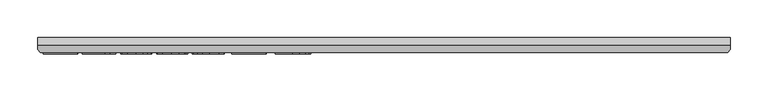
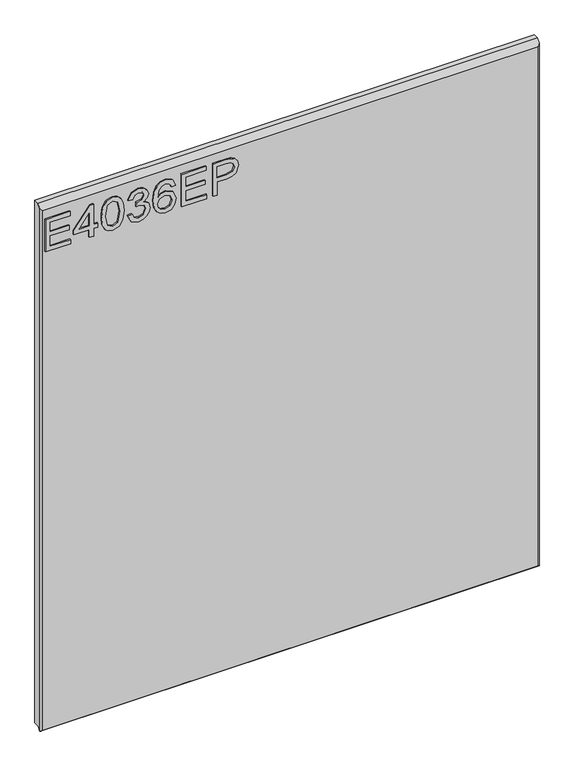
"""IFC4 building model written with IfcOpenShell, lengths in millimetres: furniture geometry."""

import ifcopenshell
import ifcopenshell.guid

model = None  # the IFC model being written
_history = None  # IfcOwnerHistory: only IFC2X3 demands one
_inside = {}  # id of a spatial element -> (the spatial element, [elements in it])
_under = {}  # id of a project, library or spatial element -> (it, [spatial elements below it])
_declared = {}  # id of a project -> (the project, [libraries it declares])
_typed = {}  # id of a type object -> (the type object, [elements of that type])
_made_of = {}  # id of a material, layer set ... -> (it, [elements and type objects made of it])


def new_model(schema):
    """Start an empty IFC model of exactly this schema.

    Asked for "IFC4X3", IfcOpenShell would pick the latest addendum, in which some entities
    have other attributes; the version numbers below select the first issue.
    IFC2X3 requires an IfcOwnerHistory on every rooted entity: one is made here for all.
    """
    global model, _history
    if schema == "IFC4X3":
        model = ifcopenshell.file(schema_version=(4, 3, 0, 0))
    else:
        model = ifcopenshell.file(schema=schema)
    _inside.clear()
    _under.clear()
    _declared.clear()
    _typed.clear()
    _made_of.clear()
    _history = None
    if model.schema == "IFC2X3":
        org = make("IfcOrganization", Name="unknown")
        user = make(
            "IfcPersonAndOrganization",
            ThePerson=make("IfcPerson", FamilyName="unknown"),
            TheOrganization=org,
        )
        app = make(
            "IfcApplication",
            ApplicationDeveloper=org,
            Version="unknown",
            ApplicationFullName="unknown",
            ApplicationIdentifier="unknown",
        )
        _history = make(
            "IfcOwnerHistory",
            OwningUser=user,
            OwningApplication=app,
            ChangeAction="ADDED",
            CreationDate=0,
        )
    return model


def make(cls, **values):
    """One entity of the class cls with the attributes given. An attribute that is None is left unset."""
    return model.create_entity(
        cls, **{name: value for name, value in values.items() if value is not None}
    )


def rooted(cls, **values):
    """An entity with a GlobalId (a new one), such as an element, a storey or a relation."""
    return make(cls, GlobalId=ifcopenshell.guid.new(), OwnerHistory=_history, **values)


def si_unit(unit_type, name, prefix=None):
    """IfcSIUnit, for example si_unit("LENGTHUNIT", "METRE", prefix="MILLI")."""
    return make("IfcSIUnit", UnitType=unit_type, Prefix=prefix, Name=name)


def assignment(units):
    """IfcUnitAssignment: the units of a project."""
    return None if units is None else make("IfcUnitAssignment", Units=units)


def point(xyz):
    """IfcCartesianPoint."""
    return None if xyz is None else make("IfcCartesianPoint", Coordinates=xyz)


def direction(xyz):
    """IfcDirection."""
    return None if xyz is None else make("IfcDirection", DirectionRatios=xyz)


def frame(location, z_axis=None, x_axis=None):
    """IfcAxis2Placement3D, a coordinate frame: its origin and axes. An axis left out is left unset."""
    return make(
        "IfcAxis2Placement3D",
        Location=point(location),
        Axis=direction(z_axis),
        RefDirection=direction(x_axis),
    )


def origin():
    """The frame at (0, 0, 0) with its axes left unset."""
    return frame((0.0, 0.0, 0.0))


def place(relative_to, where):
    """IfcLocalPlacement: puts the frame where relative to a parent placement (None: the world)."""
    return make(
        "IfcLocalPlacement", PlacementRelTo=relative_to, RelativePlacement=where
    )


def context(
    kind, dimensions, precision=None, world=None, true_north=None, identifier=None
):
    """IfcGeometricRepresentationContext, for example the 3D "Model" context."""
    return make(
        "IfcGeometricRepresentationContext",
        ContextIdentifier=identifier,
        ContextType=kind,
        CoordinateSpaceDimension=dimensions,
        Precision=precision,
        WorldCoordinateSystem=world,
        TrueNorth=true_north,
    )


def project(units=None, contexts=None):
    """IfcProject with its units and contexts."""
    return rooted(
        "IfcProject",
        Name="project",
        RepresentationContexts=contexts,
        UnitsInContext=assignment(units),
    )


def spatial(cls, under=None, at=None, **own):
    """A site, building, storey or space (cls), placed at a placement, below another one or the project."""
    s = rooted(cls, ObjectPlacement=at, **own)
    if under is not None:
        _under.setdefault(under.id(), (under, []))[1].append(s)
    return s


def polyline(points):
    """IfcPolyline through the points."""
    return make("IfcPolyline", Points=[point(p) for p in points])


def outline(outer, holes=None, kind="AREA"):
    """IfcArbitraryClosedProfileDef: a profile drawn as a closed curve; with holes, ...WithVoids."""
    if holes is None:
        return make("IfcArbitraryClosedProfileDef", ProfileType=kind, OuterCurve=outer)
    return make(
        "IfcArbitraryProfileDefWithVoids",
        ProfileType=kind,
        OuterCurve=outer,
        InnerCurves=holes,
    )


def extrude(swept, where, along, depth):
    """IfcExtrudedAreaSolid: the profile swept, set in the frame where, extruded along a direction by depth."""
    return make(
        "IfcExtrudedAreaSolid",
        SweptArea=swept,
        Position=where,
        ExtrudedDirection=direction(along),
        Depth=depth,
    )


def faces_of(points, faces, orient=None, outer=None):
    """IfcFace entities. A face is a list of loops; a loop is a list of indices into points, from 0.

    orient and outer hold one flag for each loop. By default every Orientation is true, the
    first loop of a face is its IfcFaceOuterBound and the others are IfcFaceBound.
    """
    made = []
    for i, loops in enumerate(faces):
        bounds = []
        for j, loop in enumerate(loops):
            is_outer = j == 0 if outer is None else outer[i][j]
            bounds.append(
                make(
                    "IfcFaceOuterBound" if is_outer else "IfcFaceBound",
                    Bound=make("IfcPolyLoop", Polygon=[points[k] for k in loop]),
                    Orientation=True if orient is None else orient[i][j],
                )
            )
        made.append(make("IfcFace", Bounds=bounds))
    return made


def faceted_brep(points, faces, orient=None, outer=None, voids=None):
    """IfcFacetedBrep: a solid bounded by flat faces; with voids (closed shells), ...WithVoids."""
    shared = [point(p) for p in points]
    hull = make("IfcClosedShell", CfsFaces=faces_of(shared, faces, orient, outer))
    if voids is None:
        return make("IfcFacetedBrep", Outer=hull)
    return make(
        "IfcFacetedBrepWithVoids",
        Outer=hull,
        Voids=[
            make(cls, CfsFaces=faces_of(shared, fs, o, b)) for cls, fs, o, b in voids
        ],
    )


def shape(context_of_items, identifier, shape_type, items):
    """IfcShapeRepresentation: the items that make up one representation, for example the "Body"."""
    return make(
        "IfcShapeRepresentation",
        ContextOfItems=context_of_items,
        RepresentationIdentifier=identifier,
        RepresentationType=shape_type,
        Items=items,
    )


def source(mapping_origin, context_of_items, identifier, shape_type, items):
    """IfcRepresentationMap: a shape defined once, which mapped items show again and again."""
    return make(
        "IfcRepresentationMap",
        MappingOrigin=mapping_origin,
        MappedRepresentation=shape(context_of_items, identifier, shape_type, items),
    )


def transform(
    local_origin,
    x_axis=None,
    y_axis=None,
    z_axis=None,
    scale=None,
    scale2=None,
    scale3=None,
    uniform=True,
):
    """IfcCartesianTransformationOperator3D, or its non-uniform kind. x_axis, y_axis, z_axis: its Axis1, 2, 3."""
    if uniform:
        return make(
            "IfcCartesianTransformationOperator3D",
            Axis1=direction(x_axis),
            Axis2=direction(y_axis),
            LocalOrigin=point(local_origin),
            Scale=scale,
            Axis3=direction(z_axis),
        )
    return make(
        "IfcCartesianTransformationOperator3DnonUniform",
        Axis1=direction(x_axis),
        Axis2=direction(y_axis),
        LocalOrigin=point(local_origin),
        Scale=scale,
        Axis3=direction(z_axis),
        Scale2=scale2,
        Scale3=scale3,
    )


def mapped(mapping_source, mapping_target):
    """IfcMappedItem: shows the shape of a source again, moved by a transform."""
    return make(
        "IfcMappedItem", MappingSource=mapping_source, MappingTarget=mapping_target
    )


def made_of(thing, what):
    """Note that an element or type object is made of a material, layer set ...; save() writes the relation."""
    if what is not None:
        _made_of.setdefault(what.id(), (what, []))[1].append(thing)
    return thing


def element(
    cls,
    number,
    at=None,
    inside=None,
    cuts=None,
    type_object=None,
    material=None,
    context=None,
    identifier="Body",
    shape_type=None,
    held_by="IfcProductDefinitionShape",
    body=None,
    shapes=None,
    **own,
):
    """One element of the class cls, such as IfcWall. Its Tag is "e" and its number.

    at: its placement. inside: the storey or other place that contains it. cuts: it is an
    opening in that element (IfcRelVoidsElement). A single representation is given by context,
    identifier, shape_type and body (its items); several are given by shapes. held_by: the class
    of the entity that holds the representations. save() writes the other relations.
    """
    e = rooted(cls, Tag="e%d" % number, ObjectPlacement=at, **own)
    if body is not None:
        shapes = [shape(context, identifier, shape_type, body)]
    if shapes is not None:
        e.Representation = make(held_by, Representations=shapes)
    if inside is not None:
        _inside.setdefault(inside.id(), (inside, []))[1].append(e)
    if cuts is not None:
        rooted(
            "IfcRelVoidsElement", RelatingBuildingElement=cuts, RelatedOpeningElement=e
        )
    if type_object is not None:
        _typed.setdefault(type_object.id(), (type_object, []))[1].append(e)
    return made_of(e, material)


def aggregate(whole, parts):
    """IfcRelAggregates: a whole, such as a stair, and the parts it consists of."""
    return rooted("IfcRelAggregates", RelatingObject=whole, RelatedObjects=parts)


def save(model, path):
    """Write the relations noted so far, then the file.

    IfcRelAggregates (storeys below a building ...), IfcRelContainedInSpatialStructure (elements
    in a storey), IfcRelDefinesByType, IfcRelAssociatesMaterial and IfcRelDeclares: one each for
    every whole, place, type object, material and project.
    """
    for whole, parts in _under.values():
        aggregate(whole, parts)
    for where, things in _inside.values():
        rooted(
            "IfcRelContainedInSpatialStructure",
            RelatedElements=things,
            RelatingStructure=where,
        )
    for kind, things in _typed.values():
        rooted("IfcRelDefinesByType", RelatedObjects=things, RelatingType=kind)
    for what, things in _made_of.values():
        rooted("IfcRelAssociatesMaterial", RelatedObjects=things, RelatingMaterial=what)
    for by, libraries in _declared.values():
        rooted("IfcRelDeclares", RelatingContext=by, RelatedDefinitions=libraries)
    model.write(path)


def furniture_fe76f14a(model_context):
    return source(origin(), model_context, "Body", "SolidModel", [
        extrude(outline(polyline([(2030.5117188, -279.2238335), (2030.5117188, -233.3084489), (2038.3271034, -233.3084489), (2038.3271034, -271.4084489), (2058.842488, -271.4084489), (2058.842488, -236.2392182), (2066.6578726, -236.2392182), (2066.6578726, -271.4084489), (2085.2194111, -271.4084489), (2085.2194111, -234.285372), (2093.0347957, -234.285372), (2093.0347957, -279.2238335), (2030.5117188, -279.2238335)])), frame((0.0, -21.9273438, 0.0), z_axis=(0.0, 1.0, 0.0), x_axis=(0.0, 0.0, 1.0)), (0.0, 0.0, 1.0), 2.38125),
        extrude(outline(polyline([(2030.5117188, -199.1161412), (2030.5117188, -191.3007566), (2045.1655649, -191.3007566), (2045.1655649, -183.485372), (2052.9809495, -183.485372), (2052.9809495, -191.3007566), (2092.0578726, -191.3007566), (2092.0578726, -197.1622951), (2052.9809495, -227.4469105), (2045.1655649, -227.4469105), (2045.1655649, -199.1161412), (2030.5117188, -199.1161412)]), holes=[polyline([(2052.9809495, -199.1161412), (2052.9809495, -217.8303239), (2077.1292668, -199.1161412), (2052.9809495, -199.1161412)])]), frame((0.0, -21.9273438, 0.0), z_axis=(0.0, 1.0, 0.0), x_axis=(0.0, 0.0, 1.0)), (0.0, 0.0, 1.0), 2.38125),
        extrude(outline(polyline([(2061.2695313, -176.6469105), (2046.0623498, -175.0899393), (2035.4879207, -170.4190259), (2031.0230769, -164.2521989), (2029.5347957, -156.1315259), (2032.9616587, -144.6908408), (2043.3567308, -137.8905403), (2061.2695313, -135.6161412), (2075.9615385, -137.0357326), (2085.2117788, -140.6991941), (2091.0198918, -147.0034009), (2093.0347957, -156.1315259), (2089.6308293, -167.5264177), (2079.2586538, -174.3496148), (2061.2695313, -176.6469105)]), holes=[polyline([(2061.2847957, -168.8315259), (2081.0369591, -165.0459489), (2085.2194111, -156.2231124), (2080.4721755, -146.972872), (2061.2847957, -143.4315259), (2041.8913462, -147.0949874), (2037.3501803, -156.1315259), (2041.8760817, -165.1680643), (2061.2847957, -168.8315259)])]), frame((0.0, -21.9273438, 0.0), z_axis=(0.0, 1.0, 0.0), x_axis=(0.0, 0.0, 1.0)), (0.0, 0.0, 1.0), 2.38125),
        extrude(outline(polyline([(2047.1194111, -128.7776797), (2034.4346755, -122.5650595), (2029.5347957, -108.8576076), (2030.9696514, -100.5041521), (2035.2742188, -93.7305643), (2041.6394832, -89.2428239), (2049.2564303, -87.7469105), (2059.4225361, -90.7387374), (2064.7650841, -99.2562855), (2069.9397236, -92.8452278), (2077.1445313, -90.6776797), (2085.0286058, -92.9597109), (2090.8901442, -99.5539417), (2093.0347957, -108.979723), (2088.6844351, -121.4049634), (2076.4271034, -127.8007566), (2075.4501803, -119.985372), (2082.7771034, -116.1540018), (2085.2194111, -108.7049634), (2082.8, -101.3475114), (2076.6865986, -98.4930643), (2069.7870793, -102.4312855), (2067.6347957, -112.551598), (2059.8194111, -113.4216701), (2060.6742188, -107.9417422), (2057.4763221, -99.057848), (2049.3938101, -95.5622951), (2040.8152043, -99.0883768), (2037.3501803, -108.582848), (2039.8688101, -116.6500956), (2048.0963341, -120.9622951), (2047.1194111, -128.7776797)])), frame((0.0, -21.9273438, 0.0), z_axis=(0.0, 1.0, 0.0), x_axis=(0.0, 0.0, 1.0)), (0.0, 0.0, 1.0), 2.38125),
        extrude(outline(polyline([(2076.4271034, -40.8546028), (2088.6233774, -46.6245547), (2093.0347957, -58.973473), (2091.2526743, -68.0443564), (2085.9063101, -75.0469105), (2075.2631911, -80.1757566), (2059.6972957, -81.885372), (2045.8524639, -80.3455733), (2036.5564303, -75.7261773), (2031.2902043, -68.6644736), (2029.5347957, -59.7977518), (2032.1831731, -49.5553239), (2039.8153846, -42.4573672), (2050.5996995, -39.8776797), (2064.9940505, -45.3576076), (2070.5655649, -58.6376557), (2068.5277644, -67.1781004), (2062.2922476, -74.0699874), (2076.2210337, -71.8490138), (2083.3266226, -66.514098), (2085.2194111, -59.4619345), (2081.9680889, -51.6312855), (2075.4501803, -48.6699874), (2076.4271034, -40.8546028)]), holes=[polyline([(2050.7218149, -74.0699874), (2059.4301683, -70.1851917), (2062.7501803, -60.7288816), (2059.4301683, -51.1504561), (2050.3402043, -47.6930643), (2040.8457332, -51.1962494), (2037.3501803, -60.4083287), (2039.036899, -67.45286), (2043.9520433, -72.2611533), (2050.7218149, -74.0699874)])]), frame((0.0, -21.9273438, 0.0), z_axis=(0.0, 1.0, 0.0), x_axis=(0.0, 0.0, 1.0)), (0.0, 0.0, 1.0), 2.38125),
        extrude(outline(polyline([(2030.5117188, -30.1084489), (2030.5117188, 15.8069357), (2038.3271034, 15.8069357), (2038.3271034, -22.2930643), (2058.842488, -22.2930643), (2058.842488, 12.8761665), (2066.6578726, 12.8761665), (2066.6578726, -22.2930643), (2085.2194111, -22.2930643), (2085.2194111, 14.8300126), (2093.0347957, 14.8300126), (2093.0347957, -30.1084489), (2030.5117188, -30.1084489)])), frame((0.0, -21.9273438, 0.0), z_axis=(0.0, 1.0, 0.0), x_axis=(0.0, 0.0, 1.0)), (0.0, 0.0, 1.0), 2.38125),
        extrude(outline(polyline([(2030.5117188, 27.5300126), (2030.5117188, 35.3453972), (2055.9117188, 35.3453972), (2055.9117188, 51.2356616), (2057.293149, 62.3386214), (2061.4374399, 69.3926929), (2074.9464543, 74.4223203), (2083.4716346, 72.5600607), (2089.5163462, 67.6372842), (2092.4394832, 60.0432338), (2093.0347957, 50.7014068), (2093.0347957, 27.5300126), (2030.5117188, 27.5300126)]), holes=[polyline([(2063.7271034, 35.3453972), (2085.2194111, 35.3453972), (2085.2194111, 51.5104213), (2084.6851563, 59.3258059), (2081.1438101, 64.5996641), (2074.6716947, 66.6069357), (2066.5968149, 63.2029693), (2063.7271034, 51.6935943), (2063.7271034, 35.3453972)])]), frame((0.0, -21.9273438, 0.0), z_axis=(0.0, 1.0, 0.0), x_axis=(0.0, 0.0, 1.0)), (0.0, 0.0, 1.0), 2.38125),
        faceted_brep([(628.3377049, 0.0, 2119.4117187), (-286.0622951, 0.0, 2119.4117187), (-286.0622951, -9.7234375, 2119.4117187), (628.3377049, -9.7234375, 2119.4117187), (-286.0622951, 0.0, 1108.2734375), (628.3377049, 0.0, 1108.2734375), (628.3377049, -10.0210916, 1108.2734375), (-286.0622951, -10.0210916, 1108.2734375), (-286.0622951, -15.9900937, 1102.3044354), (-286.0622951, -15.9900937, 2113.1450625), (625.1627049, -19.5460937, 2109.5890625), (-282.8872951, -19.5460937, 2109.5890625), (-282.8872951, -19.5460937, 1105.0984375), (625.1627068, -19.5460937, 1105.0984375), (628.3377049, -15.9900938, 2113.1450625), (628.3377049, -15.9900938, 1102.3044354), (627.9975282, -16.3710916, 1101.9234375), (-285.7221184, -16.3710916, 1101.9234375)], [[[0, 1, 2, 3]], [[4, 5, 6, 7]], [[1, 4, 7, 8, 9, 2]], [[10, 11, 12, 13]], [[5, 0, 3, 14, 15, 6]], [[1, 0, 5, 4]], [[3, 2, 9, 11, 10, 14]], [[7, 6, 15, 16, 17, 8]], [[17, 16, 13, 12]], [[9, 8, 17, 12, 11]], [[10, 13, 16, 15, 14]]]),
    ])


if __name__ == "__main__":
    model = new_model("IFC4")
    model_context = context("Model", 3, world=origin())
    ifc_project = project(units=[si_unit("LENGTHUNIT", "METRE", prefix="MILLI")], contexts=[model_context])
    site = spatial("IfcSite", under=ifc_project)
    building = spatial("IfcBuilding", under=site)
    placement = place(None, origin())
    furniture_shape = furniture_fe76f14a(model_context)
    element("IfcFurniture", 1, at=placement, inside=building, context=model_context, shape_type="MappedRepresentation", body=[
        mapped(furniture_shape, transform((0.0, 0.0, 0.0), x_axis=(1.0, 0.0, 0.0), y_axis=(0.0, 1.0, 0.0), z_axis=(0.0, 0.0, 1.0))),
    ])
    save(model, "model.ifc")
